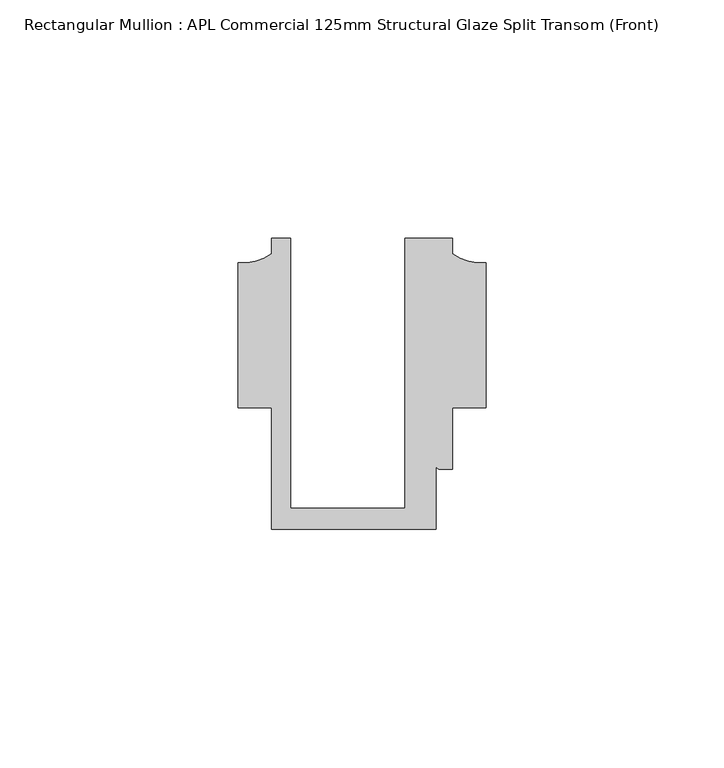
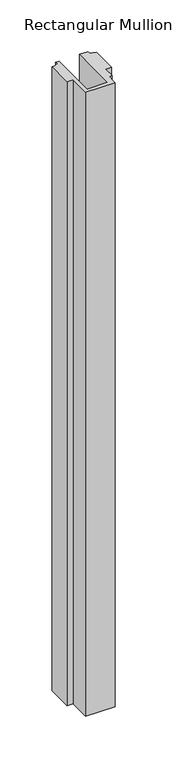
"""IFC4 building model written with IfcOpenShell, lengths in millimetres: member geometry, Rectangular Mullion : APL Commercial 125mm Structural Glaze Split Transom (Front)."""

import ifcopenshell
import ifcopenshell.guid

model = None  # the IFC model being written
_history = None  # IfcOwnerHistory: only IFC2X3 demands one
_inside = {}  # id of a spatial element -> (the spatial element, [elements in it])
_under = {}  # id of a project, library or spatial element -> (it, [spatial elements below it])
_declared = {}  # id of a project -> (the project, [libraries it declares])
_typed = {}  # id of a type object -> (the type object, [elements of that type])
_made_of = {}  # id of a material, layer set ... -> (it, [elements and type objects made of it])


def new_model(schema):
    """Start an empty IFC model of exactly this schema.

    Asked for "IFC4X3", IfcOpenShell would pick the latest addendum, in which some entities
    have other attributes; the version numbers below select the first issue.
    IFC2X3 requires an IfcOwnerHistory on every rooted entity: one is made here for all.
    """
    global model, _history
    if schema == "IFC4X3":
        model = ifcopenshell.file(schema_version=(4, 3, 0, 0))
    else:
        model = ifcopenshell.file(schema=schema)
    _inside.clear()
    _under.clear()
    _declared.clear()
    _typed.clear()
    _made_of.clear()
    _history = None
    if model.schema == "IFC2X3":
        org = make("IfcOrganization", Name="unknown")
        user = make(
            "IfcPersonAndOrganization",
            ThePerson=make("IfcPerson", FamilyName="unknown"),
            TheOrganization=org,
        )
        app = make(
            "IfcApplication",
            ApplicationDeveloper=org,
            Version="unknown",
            ApplicationFullName="unknown",
            ApplicationIdentifier="unknown",
        )
        _history = make(
            "IfcOwnerHistory",
            OwningUser=user,
            OwningApplication=app,
            ChangeAction="ADDED",
            CreationDate=0,
        )
    return model


def make(cls, **values):
    """One entity of the class cls with the attributes given. An attribute that is None is left unset."""
    return model.create_entity(
        cls, **{name: value for name, value in values.items() if value is not None}
    )


def rooted(cls, **values):
    """An entity with a GlobalId (a new one), such as an element, a storey or a relation."""
    return make(cls, GlobalId=ifcopenshell.guid.new(), OwnerHistory=_history, **values)


def si_unit(unit_type, name, prefix=None):
    """IfcSIUnit, for example si_unit("LENGTHUNIT", "METRE", prefix="MILLI")."""
    return make("IfcSIUnit", UnitType=unit_type, Prefix=prefix, Name=name)


def assignment(units):
    """IfcUnitAssignment: the units of a project."""
    return None if units is None else make("IfcUnitAssignment", Units=units)


def point(xyz):
    """IfcCartesianPoint."""
    return None if xyz is None else make("IfcCartesianPoint", Coordinates=xyz)


def direction(xyz):
    """IfcDirection."""
    return None if xyz is None else make("IfcDirection", DirectionRatios=xyz)


def frame(location, z_axis=None, x_axis=None):
    """IfcAxis2Placement3D, a coordinate frame: its origin and axes. An axis left out is left unset."""
    return make(
        "IfcAxis2Placement3D",
        Location=point(location),
        Axis=direction(z_axis),
        RefDirection=direction(x_axis),
    )


def frame_2d(location, x_axis=None):
    """IfcAxis2Placement2D, a coordinate frame in the plane: its origin and x axis."""
    return make(
        "IfcAxis2Placement2D", Location=point(location), RefDirection=direction(x_axis)
    )


def origin():
    """The frame at (0, 0, 0) with its axes left unset."""
    return frame((0.0, 0.0, 0.0))


def place(relative_to, where):
    """IfcLocalPlacement: puts the frame where relative to a parent placement (None: the world)."""
    return make(
        "IfcLocalPlacement", PlacementRelTo=relative_to, RelativePlacement=where
    )


def context(
    kind, dimensions, precision=None, world=None, true_north=None, identifier=None
):
    """IfcGeometricRepresentationContext, for example the 3D "Model" context."""
    return make(
        "IfcGeometricRepresentationContext",
        ContextIdentifier=identifier,
        ContextType=kind,
        CoordinateSpaceDimension=dimensions,
        Precision=precision,
        WorldCoordinateSystem=world,
        TrueNorth=true_north,
    )


def project(units=None, contexts=None):
    """IfcProject with its units and contexts."""
    return rooted(
        "IfcProject",
        Name="project",
        RepresentationContexts=contexts,
        UnitsInContext=assignment(units),
    )


def spatial(cls, under=None, at=None, **own):
    """A site, building, storey or space (cls), placed at a placement, below another one or the project."""
    s = rooted(cls, ObjectPlacement=at, **own)
    if under is not None:
        _under.setdefault(under.id(), (under, []))[1].append(s)
    return s


def polyline(points):
    """IfcPolyline through the points."""
    return make("IfcPolyline", Points=[point(p) for p in points])


def circle_curve(where, radius):
    """IfcCircle in the frame where."""
    return make("IfcCircle", Position=where, Radius=radius)


def trimmed(basis, trim1, trim2, sense, master):
    """IfcTrimmedCurve: the piece of a basis curve between two trims."""
    return make(
        "IfcTrimmedCurve",
        BasisCurve=basis,
        Trim1=trim1,
        Trim2=trim2,
        SenseAgreement=sense,
        MasterRepresentation=master,
    )


def segment(curve, same_sense, transition):
    """IfcCompositeCurveSegment."""
    return make(
        "IfcCompositeCurveSegment",
        Transition=transition,
        SameSense=same_sense,
        ParentCurve=curve,
    )


def composite_curve(segments, self_intersect=None):
    """IfcCompositeCurve: segments joined end to end."""
    return make("IfcCompositeCurve", Segments=segments, SelfIntersect=self_intersect)


def outline(outer, holes=None, kind="AREA"):
    """IfcArbitraryClosedProfileDef: a profile drawn as a closed curve; with holes, ...WithVoids."""
    if holes is None:
        return make("IfcArbitraryClosedProfileDef", ProfileType=kind, OuterCurve=outer)
    return make(
        "IfcArbitraryProfileDefWithVoids",
        ProfileType=kind,
        OuterCurve=outer,
        InnerCurves=holes,
    )


def extrude(swept, where, along, depth):
    """IfcExtrudedAreaSolid: the profile swept, set in the frame where, extruded along a direction by depth."""
    return make(
        "IfcExtrudedAreaSolid",
        SweptArea=swept,
        Position=where,
        ExtrudedDirection=direction(along),
        Depth=depth,
    )


def shape(context_of_items, identifier, shape_type, items):
    """IfcShapeRepresentation: the items that make up one representation, for example the "Body"."""
    return make(
        "IfcShapeRepresentation",
        ContextOfItems=context_of_items,
        RepresentationIdentifier=identifier,
        RepresentationType=shape_type,
        Items=items,
    )


def source(mapping_origin, context_of_items, identifier, shape_type, items):
    """IfcRepresentationMap: a shape defined once, which mapped items show again and again."""
    return make(
        "IfcRepresentationMap",
        MappingOrigin=mapping_origin,
        MappedRepresentation=shape(context_of_items, identifier, shape_type, items),
    )


def transform(
    local_origin,
    x_axis=None,
    y_axis=None,
    z_axis=None,
    scale=None,
    scale2=None,
    scale3=None,
    uniform=True,
):
    """IfcCartesianTransformationOperator3D, or its non-uniform kind. x_axis, y_axis, z_axis: its Axis1, 2, 3."""
    if uniform:
        return make(
            "IfcCartesianTransformationOperator3D",
            Axis1=direction(x_axis),
            Axis2=direction(y_axis),
            LocalOrigin=point(local_origin),
            Scale=scale,
            Axis3=direction(z_axis),
        )
    return make(
        "IfcCartesianTransformationOperator3DnonUniform",
        Axis1=direction(x_axis),
        Axis2=direction(y_axis),
        LocalOrigin=point(local_origin),
        Scale=scale,
        Axis3=direction(z_axis),
        Scale2=scale2,
        Scale3=scale3,
    )


def mapped(mapping_source, mapping_target):
    """IfcMappedItem: shows the shape of a source again, moved by a transform."""
    return make(
        "IfcMappedItem", MappingSource=mapping_source, MappingTarget=mapping_target
    )


def made_of(thing, what):
    """Note that an element or type object is made of a material, layer set ...; save() writes the relation."""
    if what is not None:
        _made_of.setdefault(what.id(), (what, []))[1].append(thing)
    return thing


def element(
    cls,
    number,
    at=None,
    inside=None,
    cuts=None,
    type_object=None,
    material=None,
    context=None,
    identifier="Body",
    shape_type=None,
    held_by="IfcProductDefinitionShape",
    body=None,
    shapes=None,
    **own,
):
    """One element of the class cls, such as IfcWall. Its Tag is "e" and its number.

    at: its placement. inside: the storey or other place that contains it. cuts: it is an
    opening in that element (IfcRelVoidsElement). A single representation is given by context,
    identifier, shape_type and body (its items); several are given by shapes. held_by: the class
    of the entity that holds the representations. save() writes the other relations.
    """
    e = rooted(cls, Tag="e%d" % number, ObjectPlacement=at, **own)
    if body is not None:
        shapes = [shape(context, identifier, shape_type, body)]
    if shapes is not None:
        e.Representation = make(held_by, Representations=shapes)
    if inside is not None:
        _inside.setdefault(inside.id(), (inside, []))[1].append(e)
    if cuts is not None:
        rooted(
            "IfcRelVoidsElement", RelatingBuildingElement=cuts, RelatedOpeningElement=e
        )
    if type_object is not None:
        _typed.setdefault(type_object.id(), (type_object, []))[1].append(e)
    return made_of(e, material)


def aggregate(whole, parts):
    """IfcRelAggregates: a whole, such as a stair, and the parts it consists of."""
    return rooted("IfcRelAggregates", RelatingObject=whole, RelatedObjects=parts)


def save(model, path):
    """Write the relations noted so far, then the file.

    IfcRelAggregates (storeys below a building ...), IfcRelContainedInSpatialStructure (elements
    in a storey), IfcRelDefinesByType, IfcRelAssociatesMaterial and IfcRelDeclares: one each for
    every whole, place, type object, material and project.
    """
    for whole, parts in _under.values():
        aggregate(whole, parts)
    for where, things in _inside.values():
        rooted(
            "IfcRelContainedInSpatialStructure",
            RelatedElements=things,
            RelatingStructure=where,
        )
    for kind, things in _typed.values():
        rooted("IfcRelDefinesByType", RelatedObjects=things, RelatingType=kind)
    for what, things in _made_of.values():
        rooted("IfcRelAssociatesMaterial", RelatedObjects=things, RelatingMaterial=what)
    for by, libraries in _declared.values():
        rooted("IfcRelDeclares", RelatingContext=by, RelatedDefinitions=libraries)
    model.write(path)


def rectangular_mullion_apl_commercial_125mm_structural_glaze_93141036(model_context):
    return source(origin(), model_context, "Body", "SweptSolid", [
        extrude(outline(composite_curve([segment(polyline([(-24.0309529, 20.5), (-24.0309529, -36.1008577), (0.0, -36.1008577), (0.0, 20.5), (10.0000029, 20.5), (10.0000029, 17.3121423)]), True, "CONTINUOUS"), segment(trimmed(circle_curve(frame_2d((16.1098048, 25.7978024)), 10.4563907), [point((10.0000029, 17.3121423))], [point((16.999942, 15.3793686))], True, "CARTESIAN"), True, "CONTINUOUS"), segment(polyline([(16.999942, 15.3793686), (16.999942, -15.0004617), (10.0000029, -15.0004617), (10.0000029, -28.0002131), (7.5000029, -28.0002131)]), True, "CONTINUOUS"), segment(trimmed(circle_curve(frame_2d((7.5000029, -27.0002131)), 1.0), [point((7.5000029, -28.0002131))], [point((6.5000029, -27.0002131))], False, "CARTESIAN"), True, "CONTINUOUS"), segment(polyline([(6.5000029, -27.0002131), (6.5000029, -40.499932), (-28.0000482, -40.499932), (-28.0000482, -15.001276), (-34.9999873, -15.001276), (-34.9999873, 15.3795682)]), True, "CONTINUOUS"), segment(trimmed(circle_curve(frame_2d((-34.10985, 25.7980019)), 10.4563907), [point((-34.9999873, 15.3795682))], [point((-28.0000482, 17.3123419))], True, "CARTESIAN"), True, "CONTINUOUS"), segment(polyline([(-28.0000482, 17.3123419), (-28.0000482, 20.5), (-24.0309529, 20.5)]), True, "CONTINUOUS")], self_intersect=False)), frame((0.0, 0.0, -768.0001218), z_axis=(0.0, 0.0, 1.0), x_axis=(1.0, 0.0, 0.0)), (0.0, 0.0, 1.0), 768.0001218),
    ])


if __name__ == "__main__":
    model = new_model("IFC4")
    model_context = context("Model", 3, world=origin())
    ifc_project = project(units=[si_unit("LENGTHUNIT", "METRE", prefix="MILLI")], contexts=[model_context])
    site = spatial("IfcSite", under=ifc_project)
    building = spatial("IfcBuilding", under=site)
    placement = place(None, origin())
    rectangular_mullion_apl_commercial_125mm_structural_glaze_shape = rectangular_mullion_apl_commercial_125mm_structural_glaze_93141036(model_context)
    element("IfcMember", 1, ObjectType="Rectangular Mullion : APL Commercial 125mm Structural Glaze Split Transom (Front)", at=placement, inside=building, context=model_context, shape_type="MappedRepresentation", body=[
        mapped(rectangular_mullion_apl_commercial_125mm_structural_glaze_shape, transform((0.0, 0.0, 0.0), x_axis=(1.0, 0.0, 0.0), y_axis=(0.0, 1.0, 0.0), z_axis=(0.0, 0.0, 1.0))),
    ])
    save(model, "model.ifc")
